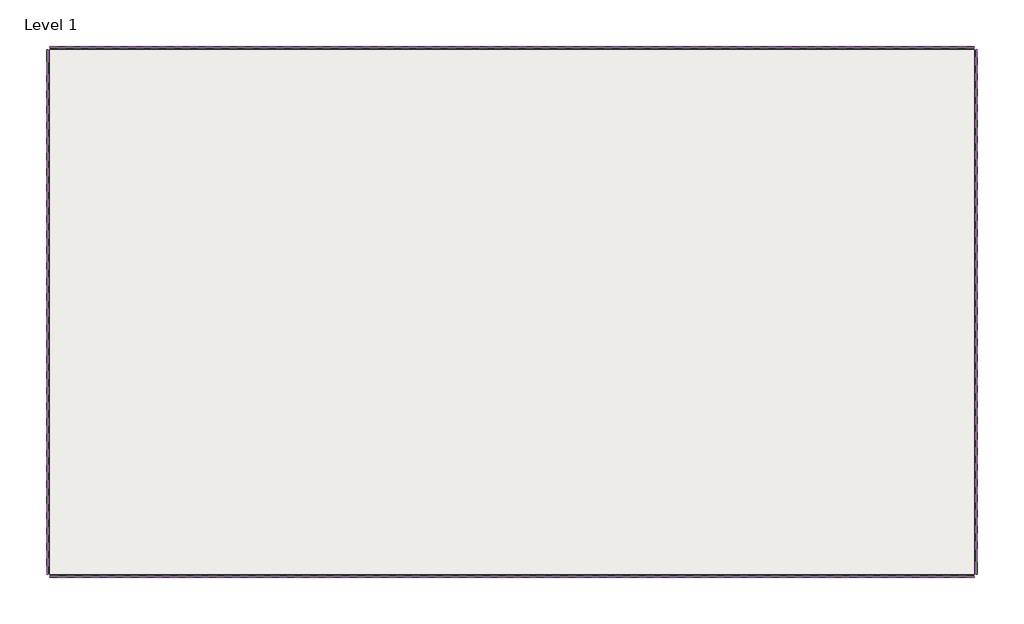
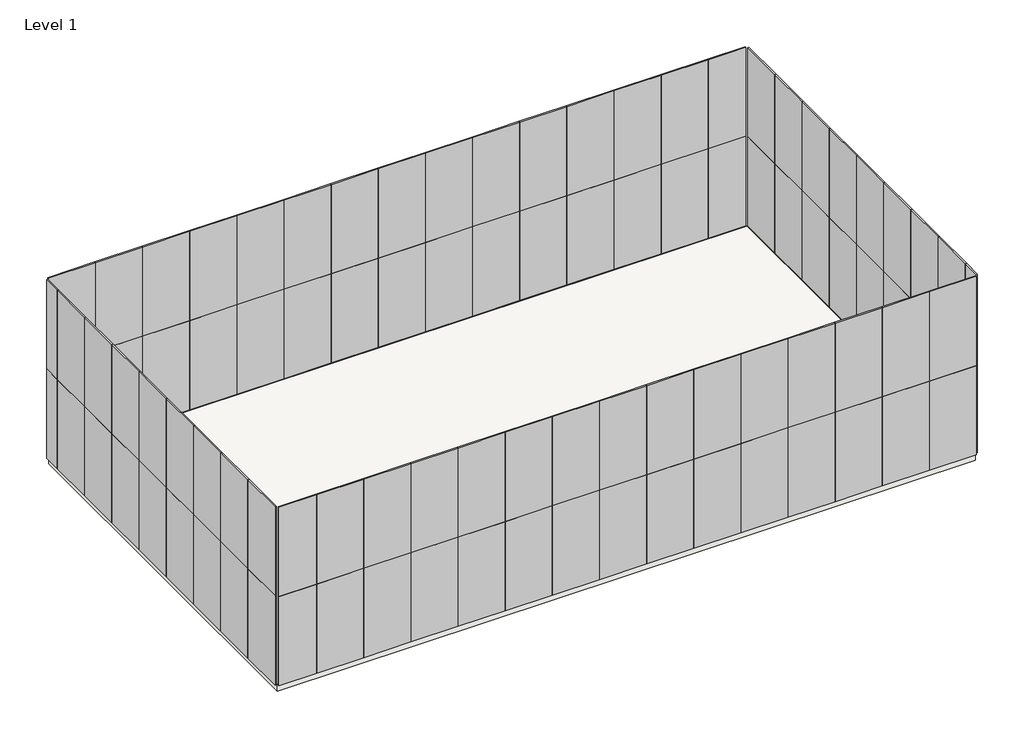
# One storey: 96 plates, 1 slab.
"""IFC4 building model written with IfcOpenShell, lengths in millimetres."""

import ifcopenshell
import ifcopenshell.guid

model = None  # the IFC model being written
_history = None  # IfcOwnerHistory: only IFC2X3 demands one
_inside = {}  # id of a spatial element -> (the spatial element, [elements in it])
_under = {}  # id of a project, library or spatial element -> (it, [spatial elements below it])
_declared = {}  # id of a project -> (the project, [libraries it declares])
_typed = {}  # id of a type object -> (the type object, [elements of that type])
_made_of = {}  # id of a material, layer set ... -> (it, [elements and type objects made of it])


def new_model(schema):
    """Start an empty IFC model of exactly this schema.

    Asked for "IFC4X3", IfcOpenShell would pick the latest addendum, in which some entities
    have other attributes; the version numbers below select the first issue.
    IFC2X3 requires an IfcOwnerHistory on every rooted entity: one is made here for all.
    """
    global model, _history
    if schema == "IFC4X3":
        model = ifcopenshell.file(schema_version=(4, 3, 0, 0))
    else:
        model = ifcopenshell.file(schema=schema)
    _inside.clear()
    _under.clear()
    _declared.clear()
    _typed.clear()
    _made_of.clear()
    _history = None
    if model.schema == "IFC2X3":
        org = make("IfcOrganization", Name="unknown")
        user = make(
            "IfcPersonAndOrganization",
            ThePerson=make("IfcPerson", FamilyName="unknown"),
            TheOrganization=org,
        )
        app = make(
            "IfcApplication",
            ApplicationDeveloper=org,
            Version="unknown",
            ApplicationFullName="unknown",
            ApplicationIdentifier="unknown",
        )
        _history = make(
            "IfcOwnerHistory",
            OwningUser=user,
            OwningApplication=app,
            ChangeAction="ADDED",
            CreationDate=0,
        )
    return model


def make(cls, **values):
    """One entity of the class cls with the attributes given. An attribute that is None is left unset."""
    return model.create_entity(
        cls, **{name: value for name, value in values.items() if value is not None}
    )


def rooted(cls, **values):
    """An entity with a GlobalId (a new one), such as an element, a storey or a relation."""
    return make(cls, GlobalId=ifcopenshell.guid.new(), OwnerHistory=_history, **values)


def si_unit(unit_type, name, prefix=None):
    """IfcSIUnit, for example si_unit("LENGTHUNIT", "METRE", prefix="MILLI")."""
    return make("IfcSIUnit", UnitType=unit_type, Prefix=prefix, Name=name)


def assignment(units):
    """IfcUnitAssignment: the units of a project."""
    return None if units is None else make("IfcUnitAssignment", Units=units)


def point(xyz):
    """IfcCartesianPoint."""
    return None if xyz is None else make("IfcCartesianPoint", Coordinates=xyz)


def direction(xyz):
    """IfcDirection."""
    return None if xyz is None else make("IfcDirection", DirectionRatios=xyz)


def frame(location, z_axis=None, x_axis=None):
    """IfcAxis2Placement3D, a coordinate frame: its origin and axes. An axis left out is left unset."""
    return make(
        "IfcAxis2Placement3D",
        Location=point(location),
        Axis=direction(z_axis),
        RefDirection=direction(x_axis),
    )


def origin():
    """The frame at (0, 0, 0) with its axes left unset."""
    return frame((0.0, 0.0, 0.0))


def origin_with_axes():
    """The frame at (0, 0, 0) with the z axis (0, 0, 1) and the x axis (1, 0, 0) written out."""
    return frame((0.0, 0.0, 0.0), z_axis=(0.0, 0.0, 1.0), x_axis=(1.0, 0.0, 0.0))


def place(relative_to, where):
    """IfcLocalPlacement: puts the frame where relative to a parent placement (None: the world)."""
    return make(
        "IfcLocalPlacement", PlacementRelTo=relative_to, RelativePlacement=where
    )


def context(
    kind, dimensions, precision=None, world=None, true_north=None, identifier=None
):
    """IfcGeometricRepresentationContext, for example the 3D "Model" context."""
    return make(
        "IfcGeometricRepresentationContext",
        ContextIdentifier=identifier,
        ContextType=kind,
        CoordinateSpaceDimension=dimensions,
        Precision=precision,
        WorldCoordinateSystem=world,
        TrueNorth=true_north,
    )


def project(units=None, contexts=None):
    """IfcProject with its units and contexts."""
    return rooted(
        "IfcProject",
        Name="project",
        RepresentationContexts=contexts,
        UnitsInContext=assignment(units),
    )


def spatial(cls, under=None, at=None, **own):
    """A site, building, storey or space (cls), placed at a placement, below another one or the project."""
    s = rooted(cls, ObjectPlacement=at, **own)
    if under is not None:
        _under.setdefault(under.id(), (under, []))[1].append(s)
    return s


def polyline(points):
    """IfcPolyline through the points."""
    return make("IfcPolyline", Points=[point(p) for p in points])


def outline(outer, holes=None, kind="AREA"):
    """IfcArbitraryClosedProfileDef: a profile drawn as a closed curve; with holes, ...WithVoids."""
    if holes is None:
        return make("IfcArbitraryClosedProfileDef", ProfileType=kind, OuterCurve=outer)
    return make(
        "IfcArbitraryProfileDefWithVoids",
        ProfileType=kind,
        OuterCurve=outer,
        InnerCurves=holes,
    )


def extrude(swept, where, along, depth):
    """IfcExtrudedAreaSolid: the profile swept, set in the frame where, extruded along a direction by depth."""
    return make(
        "IfcExtrudedAreaSolid",
        SweptArea=swept,
        Position=where,
        ExtrudedDirection=direction(along),
        Depth=depth,
    )


def shape(context_of_items, identifier, shape_type, items):
    """IfcShapeRepresentation: the items that make up one representation, for example the "Body"."""
    return make(
        "IfcShapeRepresentation",
        ContextOfItems=context_of_items,
        RepresentationIdentifier=identifier,
        RepresentationType=shape_type,
        Items=items,
    )


def source(mapping_origin, context_of_items, identifier, shape_type, items):
    """IfcRepresentationMap: a shape defined once, which mapped items show again and again."""
    return make(
        "IfcRepresentationMap",
        MappingOrigin=mapping_origin,
        MappedRepresentation=shape(context_of_items, identifier, shape_type, items),
    )


def transform(
    local_origin,
    x_axis=None,
    y_axis=None,
    z_axis=None,
    scale=None,
    scale2=None,
    scale3=None,
    uniform=True,
):
    """IfcCartesianTransformationOperator3D, or its non-uniform kind. x_axis, y_axis, z_axis: its Axis1, 2, 3."""
    if uniform:
        return make(
            "IfcCartesianTransformationOperator3D",
            Axis1=direction(x_axis),
            Axis2=direction(y_axis),
            LocalOrigin=point(local_origin),
            Scale=scale,
            Axis3=direction(z_axis),
        )
    return make(
        "IfcCartesianTransformationOperator3DnonUniform",
        Axis1=direction(x_axis),
        Axis2=direction(y_axis),
        LocalOrigin=point(local_origin),
        Scale=scale,
        Axis3=direction(z_axis),
        Scale2=scale2,
        Scale3=scale3,
    )


def mapped(mapping_source, mapping_target):
    """IfcMappedItem: shows the shape of a source again, moved by a transform."""
    return make(
        "IfcMappedItem", MappingSource=mapping_source, MappingTarget=mapping_target
    )


def made_of(thing, what):
    """Note that an element or type object is made of a material, layer set ...; save() writes the relation."""
    if what is not None:
        _made_of.setdefault(what.id(), (what, []))[1].append(thing)
    return thing


def element(
    cls,
    number,
    at=None,
    inside=None,
    cuts=None,
    type_object=None,
    material=None,
    context=None,
    identifier="Body",
    shape_type=None,
    held_by="IfcProductDefinitionShape",
    body=None,
    shapes=None,
    **own,
):
    """One element of the class cls, such as IfcWall. Its Tag is "e" and its number.

    at: its placement. inside: the storey or other place that contains it. cuts: it is an
    opening in that element (IfcRelVoidsElement). A single representation is given by context,
    identifier, shape_type and body (its items); several are given by shapes. held_by: the class
    of the entity that holds the representations. save() writes the other relations.
    """
    e = rooted(cls, Tag="e%d" % number, ObjectPlacement=at, **own)
    if body is not None:
        shapes = [shape(context, identifier, shape_type, body)]
    if shapes is not None:
        e.Representation = make(held_by, Representations=shapes)
    if inside is not None:
        _inside.setdefault(inside.id(), (inside, []))[1].append(e)
    if cuts is not None:
        rooted(
            "IfcRelVoidsElement", RelatingBuildingElement=cuts, RelatedOpeningElement=e
        )
    if type_object is not None:
        _typed.setdefault(type_object.id(), (type_object, []))[1].append(e)
    return made_of(e, material)


def aggregate(whole, parts):
    """IfcRelAggregates: a whole, such as a stair, and the parts it consists of."""
    return rooted("IfcRelAggregates", RelatingObject=whole, RelatedObjects=parts)


def save(model, path):
    """Write the relations noted so far, then the file.

    IfcRelAggregates (storeys below a building ...), IfcRelContainedInSpatialStructure (elements
    in a storey), IfcRelDefinesByType, IfcRelAssociatesMaterial and IfcRelDeclares: one each for
    every whole, place, type object, material and project.
    """
    for whole, parts in _under.values():
        aggregate(whole, parts)
    for where, things in _inside.values():
        rooted(
            "IfcRelContainedInSpatialStructure",
            RelatedElements=things,
            RelatingStructure=where,
        )
    for kind, things in _typed.values():
        rooted("IfcRelDefinesByType", RelatedObjects=things, RelatingType=kind)
    for what, things in _made_of.values():
        rooted("IfcRelAssociatesMaterial", RelatedObjects=things, RelatingMaterial=what)
    for by, libraries in _declared.values():
        rooted("IfcRelDeclares", RelatingContext=by, RelatedDefinitions=libraries)
    model.write(path)


def system_panel_glazed_be29b8e7(model_context):
    return source(origin(), model_context, "Body", "SweptSolid", [
        extrude(outline(polyline([(500.0000002, 24.5), (-500.0000002, 24.5), (-500.0000002, 49.5), (500.0000002, 49.5), (500.0000002, 24.5)])), origin_with_axes(), (0.0, 0.0, 1.0), 2000.0),
    ])


def system_panel_glazed_e4c506ac(model_context):
    return source(origin(), model_context, "Body", "SweptSolid", [
        extrude(outline(polyline([(399.9999998, 24.5), (-399.9999998, 24.5), (-399.9999998, 49.5), (399.9999998, 49.5), (399.9999998, 24.5)])), origin_with_axes(), (0.0, 0.0, 1.0), 2000.0),
    ])


def system_panel_glazed_51f148e5(model_context):
    return source(origin(), model_context, "Body", "SweptSolid", [
        extrude(outline(polyline([(199.9999998, 24.5), (-199.9999998, 24.5), (-199.9999998, 49.5), (199.9999998, 49.5), (199.9999998, 24.5)])), origin_with_axes(), (0.0, 0.0, 1.0), 2000.0),
    ])


model = new_model("IFC4")

# Units and contexts
model_context = context("Model", 3, world=origin())
ifc_project = project(units=[si_unit("LENGTHUNIT", "METRE", prefix="MILLI")], contexts=[model_context])

# Site, building, storey
site = spatial("IfcSite", under=ifc_project)
building = spatial("IfcBuilding", under=site)
storey = spatial("IfcBuildingStorey", under=building, Name="Level 1", Elevation=0.0)

# Plates
placement = place(None, origin())
system_panel_glazed_shape = system_panel_glazed_be29b8e7(model_context)
element("IfcPlate", 1, ObjectType="System Panel : Glazed", at=placement, inside=storey, context=model_context, shape_type="MappedRepresentation", body=[
    mapped(system_panel_glazed_shape, transform((6251.5480438, -5646.8315212, 0.0), x_axis=(-1.0, 0.0, 0.0), y_axis=(0.0, -1.0, 0.0), z_axis=(0.0, 0.0, 1.0))),
])
element("IfcPlate", 2, ObjectType="System Panel : Glazed", at=placement, inside=storey, context=model_context, shape_type="MappedRepresentation", body=[
    mapped(system_panel_glazed_shape, transform((5251.5480436, -5646.8315212, 0.0), x_axis=(-1.0, 0.0, 0.0), y_axis=(0.0, -1.0, 0.0), z_axis=(0.0, 0.0, 1.0))),
])
element("IfcPlate", 3, ObjectType="System Panel : Glazed", at=placement, inside=storey, context=model_context, shape_type="MappedRepresentation", body=[
    mapped(system_panel_glazed_shape, transform((4251.5480436, -5646.8315212, 0.0), x_axis=(-1.0, 0.0, 0.0), y_axis=(0.0, -1.0, 0.0), z_axis=(0.0, 0.0, 1.0))),
])
element("IfcPlate", 4, ObjectType="System Panel : Glazed", at=placement, inside=storey, context=model_context, shape_type="MappedRepresentation", body=[
    mapped(system_panel_glazed_shape, transform((3251.5480436, -5646.8315212, 0.0), x_axis=(-1.0, 0.0, 0.0), y_axis=(0.0, -1.0, 0.0), z_axis=(0.0, 0.0, 1.0))),
])
element("IfcPlate", 5, ObjectType="System Panel : Glazed", at=placement, inside=storey, context=model_context, shape_type="MappedRepresentation", body=[
    mapped(system_panel_glazed_shape, transform((2251.5480436, -5646.8315212, 0.0), x_axis=(-1.0, 0.0, 0.0), y_axis=(0.0, -1.0, 0.0), z_axis=(0.0, 0.0, 1.0))),
])
element("IfcPlate", 6, ObjectType="System Panel : Glazed", at=placement, inside=storey, context=model_context, shape_type="MappedRepresentation", body=[
    mapped(system_panel_glazed_shape, transform((1251.5480436, -5646.8315212, 0.0), x_axis=(-1.0, 0.0, 0.0), y_axis=(0.0, -1.0, 0.0), z_axis=(0.0, 0.0, 1.0))),
])
element("IfcPlate", 7, ObjectType="System Panel : Glazed", at=placement, inside=storey, context=model_context, shape_type="MappedRepresentation", body=[
    mapped(system_panel_glazed_shape, transform((251.5480436, -5646.8315212, 0.0), x_axis=(-1.0, 0.0, 0.0), y_axis=(0.0, -1.0, 0.0), z_axis=(0.0, 0.0, 1.0))),
])
element("IfcPlate", 8, ObjectType="System Panel : Glazed", at=placement, inside=storey, context=model_context, shape_type="MappedRepresentation", body=[
    mapped(system_panel_glazed_shape, transform((-748.4519564, -5646.8315212, 0.0), x_axis=(-1.0, 0.0, 0.0), y_axis=(0.0, -1.0, 0.0), z_axis=(0.0, 0.0, 1.0))),
])
element("IfcPlate", 9, ObjectType="System Panel : Glazed", at=placement, inside=storey, context=model_context, shape_type="MappedRepresentation", body=[
    mapped(system_panel_glazed_shape, transform((-1748.4519564, -5646.8315212, 0.0), x_axis=(-1.0, 0.0, 0.0), y_axis=(0.0, -1.0, 0.0), z_axis=(0.0, 0.0, 1.0))),
])
element("IfcPlate", 10, ObjectType="System Panel : Glazed", at=placement, inside=storey, context=model_context, shape_type="MappedRepresentation", body=[
    mapped(system_panel_glazed_shape, transform((-2748.4519564, -5646.8315212, 0.0), x_axis=(-1.0, 0.0, 0.0), y_axis=(0.0, -1.0, 0.0), z_axis=(0.0, 0.0, 1.0))),
])
element("IfcPlate", 11, ObjectType="System Panel : Glazed", at=placement, inside=storey, context=model_context, shape_type="MappedRepresentation", body=[
    mapped(system_panel_glazed_shape, transform((-3748.4519564, -5646.8315212, 0.0), x_axis=(-1.0, 0.0, 0.0), y_axis=(0.0, -1.0, 0.0), z_axis=(0.0, 0.0, 1.0))),
])
element("IfcPlate", 12, ObjectType="System Panel : Glazed", at=placement, inside=storey, context=model_context, shape_type="MappedRepresentation", body=[
    mapped(system_panel_glazed_shape, transform((-4748.4519564, -5646.8315212, 0.0), x_axis=(-1.0, 0.0, 0.0), y_axis=(0.0, -1.0, 0.0), z_axis=(0.0, 0.0, 1.0))),
])
element("IfcPlate", 13, ObjectType="System Panel : Glazed", at=placement, inside=storey, context=model_context, shape_type="MappedRepresentation", body=[
    mapped(system_panel_glazed_shape, transform((-5748.4519564, -5646.8315212, 0.0), x_axis=(-1.0, 0.0, 0.0), y_axis=(0.0, -1.0, 0.0), z_axis=(0.0, 0.0, 1.0))),
])
element("IfcPlate", 14, ObjectType="System Panel : Glazed", at=placement, inside=storey, context=model_context, shape_type="MappedRepresentation", body=[
    mapped(system_panel_glazed_shape, transform((6251.5480438, -5646.8315212, 2000.0), x_axis=(-1.0, 0.0, 0.0), y_axis=(0.0, -1.0, 0.0), z_axis=(0.0, 0.0, 1.0))),
])
element("IfcPlate", 15, ObjectType="System Panel : Glazed", at=placement, inside=storey, context=model_context, shape_type="MappedRepresentation", body=[
    mapped(system_panel_glazed_shape, transform((5251.5480436, -5646.8315212, 2000.0), x_axis=(-1.0, 0.0, 0.0), y_axis=(0.0, -1.0, 0.0), z_axis=(0.0, 0.0, 1.0))),
])
element("IfcPlate", 16, ObjectType="System Panel : Glazed", at=placement, inside=storey, context=model_context, shape_type="MappedRepresentation", body=[
    mapped(system_panel_glazed_shape, transform((4251.5480436, -5646.8315212, 2000.0), x_axis=(-1.0, 0.0, 0.0), y_axis=(0.0, -1.0, 0.0), z_axis=(0.0, 0.0, 1.0))),
])
element("IfcPlate", 17, ObjectType="System Panel : Glazed", at=placement, inside=storey, context=model_context, shape_type="MappedRepresentation", body=[
    mapped(system_panel_glazed_shape, transform((3251.5480436, -5646.8315212, 2000.0), x_axis=(-1.0, 0.0, 0.0), y_axis=(0.0, -1.0, 0.0), z_axis=(0.0, 0.0, 1.0))),
])
element("IfcPlate", 18, ObjectType="System Panel : Glazed", at=placement, inside=storey, context=model_context, shape_type="MappedRepresentation", body=[
    mapped(system_panel_glazed_shape, transform((2251.5480436, -5646.8315212, 2000.0), x_axis=(-1.0, 0.0, 0.0), y_axis=(0.0, -1.0, 0.0), z_axis=(0.0, 0.0, 1.0))),
])
element("IfcPlate", 19, ObjectType="System Panel : Glazed", at=placement, inside=storey, context=model_context, shape_type="MappedRepresentation", body=[
    mapped(system_panel_glazed_shape, transform((1251.5480436, -5646.8315212, 2000.0), x_axis=(-1.0, 0.0, 0.0), y_axis=(0.0, -1.0, 0.0), z_axis=(0.0, 0.0, 1.0))),
])
element("IfcPlate", 20, ObjectType="System Panel : Glazed", at=placement, inside=storey, context=model_context, shape_type="MappedRepresentation", body=[
    mapped(system_panel_glazed_shape, transform((251.5480436, -5646.8315212, 2000.0), x_axis=(-1.0, 0.0, 0.0), y_axis=(0.0, -1.0, 0.0), z_axis=(0.0, 0.0, 1.0))),
])
element("IfcPlate", 21, ObjectType="System Panel : Glazed", at=placement, inside=storey, context=model_context, shape_type="MappedRepresentation", body=[
    mapped(system_panel_glazed_shape, transform((-748.4519564, -5646.8315212, 2000.0), x_axis=(-1.0, 0.0, 0.0), y_axis=(0.0, -1.0, 0.0), z_axis=(0.0, 0.0, 1.0))),
])
element("IfcPlate", 22, ObjectType="System Panel : Glazed", at=placement, inside=storey, context=model_context, shape_type="MappedRepresentation", body=[
    mapped(system_panel_glazed_shape, transform((-1748.4519564, -5646.8315212, 2000.0), x_axis=(-1.0, 0.0, 0.0), y_axis=(0.0, -1.0, 0.0), z_axis=(0.0, 0.0, 1.0))),
])
element("IfcPlate", 23, ObjectType="System Panel : Glazed", at=placement, inside=storey, context=model_context, shape_type="MappedRepresentation", body=[
    mapped(system_panel_glazed_shape, transform((-2748.4519564, -5646.8315212, 2000.0), x_axis=(-1.0, 0.0, 0.0), y_axis=(0.0, -1.0, 0.0), z_axis=(0.0, 0.0, 1.0))),
])
element("IfcPlate", 24, ObjectType="System Panel : Glazed", at=placement, inside=storey, context=model_context, shape_type="MappedRepresentation", body=[
    mapped(system_panel_glazed_shape, transform((-3748.4519564, -5646.8315212, 2000.0), x_axis=(-1.0, 0.0, 0.0), y_axis=(0.0, -1.0, 0.0), z_axis=(0.0, 0.0, 1.0))),
])
element("IfcPlate", 25, ObjectType="System Panel : Glazed", at=placement, inside=storey, context=model_context, shape_type="MappedRepresentation", body=[
    mapped(system_panel_glazed_shape, transform((-4748.4519564, -5646.8315212, 2000.0), x_axis=(-1.0, 0.0, 0.0), y_axis=(0.0, -1.0, 0.0), z_axis=(0.0, 0.0, 1.0))),
])
element("IfcPlate", 26, ObjectType="System Panel : Glazed", at=placement, inside=storey, context=model_context, shape_type="MappedRepresentation", body=[
    mapped(system_panel_glazed_shape, transform((-5748.4519564, -5646.8315212, 2000.0), x_axis=(-1.0, 0.0, 0.0), y_axis=(0.0, -1.0, 0.0), z_axis=(0.0, 0.0, 1.0))),
])
element("IfcPlate", 27, ObjectType="System Panel : Glazed", at=placement, inside=storey, context=model_context, shape_type="MappedRepresentation", body=[
    mapped(system_panel_glazed_shape, transform((-6748.4519564, -5646.8315212, 0.0), x_axis=(-1.0, 0.0, 0.0), y_axis=(0.0, -1.0, 0.0), z_axis=(0.0, 0.0, 1.0))),
])
element("IfcPlate", 28, ObjectType="System Panel : Glazed", at=placement, inside=storey, context=model_context, shape_type="MappedRepresentation", body=[
    mapped(system_panel_glazed_shape, transform((-6748.4519564, -5646.8315212, 2000.0), x_axis=(-1.0, 0.0, 0.0), y_axis=(0.0, -1.0, 0.0), z_axis=(0.0, 0.0, 1.0))),
])
element("IfcPlate", 29, ObjectType="System Panel : Glazed", at=placement, inside=storey, context=model_context, shape_type="MappedRepresentation", body=[
    mapped(system_panel_glazed_shape, transform((6751.5480439, 2253.1684787, 0.0), x_axis=(0.0, -1.0, 0.0), y_axis=(1.0, 0.0, 0.0), z_axis=(0.0, 0.0, 1.0))),
])
element("IfcPlate", 30, ObjectType="System Panel : Glazed", at=placement, inside=storey, context=model_context, shape_type="MappedRepresentation", body=[
    mapped(system_panel_glazed_shape, transform((6751.5480439, 1253.1684785, 0.0), x_axis=(0.0, -1.0, 0.0), y_axis=(1.0, 0.0, 0.0), z_axis=(0.0, 0.0, 1.0))),
])
element("IfcPlate", 31, ObjectType="System Panel : Glazed", at=placement, inside=storey, context=model_context, shape_type="MappedRepresentation", body=[
    mapped(system_panel_glazed_shape, transform((6751.5480439, 253.1684785, 0.0), x_axis=(0.0, -1.0, 0.0), y_axis=(1.0, 0.0, 0.0), z_axis=(0.0, 0.0, 1.0))),
])
element("IfcPlate", 32, ObjectType="System Panel : Glazed", at=placement, inside=storey, context=model_context, shape_type="MappedRepresentation", body=[
    mapped(system_panel_glazed_shape, transform((6751.5480439, -746.8315215, 0.0), x_axis=(0.0, -1.0, 0.0), y_axis=(1.0, 0.0, 0.0), z_axis=(0.0, 0.0, 1.0))),
])
element("IfcPlate", 33, ObjectType="System Panel : Glazed", at=placement, inside=storey, context=model_context, shape_type="MappedRepresentation", body=[
    mapped(system_panel_glazed_shape, transform((6751.5480439, -1746.8315215, 0.0), x_axis=(0.0, -1.0, 0.0), y_axis=(1.0, 0.0, 0.0), z_axis=(0.0, 0.0, 1.0))),
])
element("IfcPlate", 34, ObjectType="System Panel : Glazed", at=placement, inside=storey, context=model_context, shape_type="MappedRepresentation", body=[
    mapped(system_panel_glazed_shape, transform((6751.5480439, -2746.8315215, 0.0), x_axis=(0.0, -1.0, 0.0), y_axis=(1.0, 0.0, 0.0), z_axis=(0.0, 0.0, 1.0))),
])
element("IfcPlate", 35, ObjectType="System Panel : Glazed", at=placement, inside=storey, context=model_context, shape_type="MappedRepresentation", body=[
    mapped(system_panel_glazed_shape, transform((6751.5480439, -3746.8315215, 0.0), x_axis=(0.0, -1.0, 0.0), y_axis=(1.0, 0.0, 0.0), z_axis=(0.0, 0.0, 1.0))),
])
element("IfcPlate", 36, ObjectType="System Panel : Glazed", at=placement, inside=storey, context=model_context, shape_type="MappedRepresentation", body=[
    mapped(system_panel_glazed_shape, transform((6751.5480439, -4746.8315215, 0.0), x_axis=(0.0, -1.0, 0.0), y_axis=(1.0, 0.0, 0.0), z_axis=(0.0, 0.0, 1.0))),
])
element("IfcPlate", 37, ObjectType="System Panel : Glazed", at=placement, inside=storey, context=model_context, shape_type="MappedRepresentation", body=[
    mapped(system_panel_glazed_shape, transform((6751.5480439, 2253.1684787, 2000.0), x_axis=(0.0, -1.0, 0.0), y_axis=(1.0, 0.0, 0.0), z_axis=(0.0, 0.0, 1.0))),
])
element("IfcPlate", 38, ObjectType="System Panel : Glazed", at=placement, inside=storey, context=model_context, shape_type="MappedRepresentation", body=[
    mapped(system_panel_glazed_shape, transform((6751.5480439, 1253.1684785, 2000.0), x_axis=(0.0, -1.0, 0.0), y_axis=(1.0, 0.0, 0.0), z_axis=(0.0, 0.0, 1.0))),
])
element("IfcPlate", 39, ObjectType="System Panel : Glazed", at=placement, inside=storey, context=model_context, shape_type="MappedRepresentation", body=[
    mapped(system_panel_glazed_shape, transform((6751.5480439, 253.1684785, 2000.0), x_axis=(0.0, -1.0, 0.0), y_axis=(1.0, 0.0, 0.0), z_axis=(0.0, 0.0, 1.0))),
])
element("IfcPlate", 40, ObjectType="System Panel : Glazed", at=placement, inside=storey, context=model_context, shape_type="MappedRepresentation", body=[
    mapped(system_panel_glazed_shape, transform((6751.5480439, -746.8315215, 2000.0), x_axis=(0.0, -1.0, 0.0), y_axis=(1.0, 0.0, 0.0), z_axis=(0.0, 0.0, 1.0))),
])
element("IfcPlate", 41, ObjectType="System Panel : Glazed", at=placement, inside=storey, context=model_context, shape_type="MappedRepresentation", body=[
    mapped(system_panel_glazed_shape, transform((6751.5480439, -1746.8315215, 2000.0), x_axis=(0.0, -1.0, 0.0), y_axis=(1.0, 0.0, 0.0), z_axis=(0.0, 0.0, 1.0))),
])
element("IfcPlate", 42, ObjectType="System Panel : Glazed", at=placement, inside=storey, context=model_context, shape_type="MappedRepresentation", body=[
    mapped(system_panel_glazed_shape, transform((6751.5480439, -2746.8315215, 2000.0), x_axis=(0.0, -1.0, 0.0), y_axis=(1.0, 0.0, 0.0), z_axis=(0.0, 0.0, 1.0))),
])
element("IfcPlate", 43, ObjectType="System Panel : Glazed", at=placement, inside=storey, context=model_context, shape_type="MappedRepresentation", body=[
    mapped(system_panel_glazed_shape, transform((6751.5480439, -3746.8315215, 2000.0), x_axis=(0.0, -1.0, 0.0), y_axis=(1.0, 0.0, 0.0), z_axis=(0.0, 0.0, 1.0))),
])
element("IfcPlate", 44, ObjectType="System Panel : Glazed", at=placement, inside=storey, context=model_context, shape_type="MappedRepresentation", body=[
    mapped(system_panel_glazed_shape, transform((6751.5480439, -4746.8315215, 2000.0), x_axis=(0.0, -1.0, 0.0), y_axis=(1.0, 0.0, 0.0), z_axis=(0.0, 0.0, 1.0))),
])
element("IfcPlate", 45, ObjectType="System Panel : Glazed", at=placement, inside=storey, context=model_context, shape_type="MappedRepresentation", body=[
    mapped(system_panel_glazed_shape, transform((-7548.4519559, 2753.1684788, 0.0), x_axis=(1.0, 0.0, 0.0), y_axis=(0.0, 1.0, 0.0), z_axis=(0.0, 0.0, 1.0))),
])
element("IfcPlate", 46, ObjectType="System Panel : Glazed", at=placement, inside=storey, context=model_context, shape_type="MappedRepresentation", body=[
    mapped(system_panel_glazed_shape, transform((-8048.4519561, -5146.831521, 0.0), x_axis=(0.0, 1.0, 0.0), y_axis=(-1.0, 0.0, 0.0), z_axis=(0.0, 0.0, 1.0))),
])
element("IfcPlate", 47, ObjectType="System Panel : Glazed", at=placement, inside=storey, context=model_context, shape_type="MappedRepresentation", body=[
    mapped(system_panel_glazed_shape, transform((-6548.4519558, 2753.1684788, 0.0), x_axis=(1.0, 0.0, 0.0), y_axis=(0.0, 1.0, 0.0), z_axis=(0.0, 0.0, 1.0))),
])
element("IfcPlate", 48, ObjectType="System Panel : Glazed", at=placement, inside=storey, context=model_context, shape_type="MappedRepresentation", body=[
    mapped(system_panel_glazed_shape, transform((-5548.4519558, 2753.1684788, 0.0), x_axis=(1.0, 0.0, 0.0), y_axis=(0.0, 1.0, 0.0), z_axis=(0.0, 0.0, 1.0))),
])
element("IfcPlate", 49, ObjectType="System Panel : Glazed", at=placement, inside=storey, context=model_context, shape_type="MappedRepresentation", body=[
    mapped(system_panel_glazed_shape, transform((-4548.4519558, 2753.1684788, 0.0), x_axis=(1.0, 0.0, 0.0), y_axis=(0.0, 1.0, 0.0), z_axis=(0.0, 0.0, 1.0))),
])
element("IfcPlate", 50, ObjectType="System Panel : Glazed", at=placement, inside=storey, context=model_context, shape_type="MappedRepresentation", body=[
    mapped(system_panel_glazed_shape, transform((-3548.4519558, 2753.1684788, 0.0), x_axis=(1.0, 0.0, 0.0), y_axis=(0.0, 1.0, 0.0), z_axis=(0.0, 0.0, 1.0))),
])
element("IfcPlate", 51, ObjectType="System Panel : Glazed", at=placement, inside=storey, context=model_context, shape_type="MappedRepresentation", body=[
    mapped(system_panel_glazed_shape, transform((-2548.4519558, 2753.1684788, 0.0), x_axis=(1.0, 0.0, 0.0), y_axis=(0.0, 1.0, 0.0), z_axis=(0.0, 0.0, 1.0))),
])
element("IfcPlate", 52, ObjectType="System Panel : Glazed", at=placement, inside=storey, context=model_context, shape_type="MappedRepresentation", body=[
    mapped(system_panel_glazed_shape, transform((-1548.4519558, 2753.1684788, 0.0), x_axis=(1.0, 0.0, 0.0), y_axis=(0.0, 1.0, 0.0), z_axis=(0.0, 0.0, 1.0))),
])
element("IfcPlate", 53, ObjectType="System Panel : Glazed", at=placement, inside=storey, context=model_context, shape_type="MappedRepresentation", body=[
    mapped(system_panel_glazed_shape, transform((-548.4519558, 2753.1684788, 0.0), x_axis=(1.0, 0.0, 0.0), y_axis=(0.0, 1.0, 0.0), z_axis=(0.0, 0.0, 1.0))),
])
element("IfcPlate", 54, ObjectType="System Panel : Glazed", at=placement, inside=storey, context=model_context, shape_type="MappedRepresentation", body=[
    mapped(system_panel_glazed_shape, transform((451.5480442, 2753.1684788, 0.0), x_axis=(1.0, 0.0, 0.0), y_axis=(0.0, 1.0, 0.0), z_axis=(0.0, 0.0, 1.0))),
])
element("IfcPlate", 55, ObjectType="System Panel : Glazed", at=placement, inside=storey, context=model_context, shape_type="MappedRepresentation", body=[
    mapped(system_panel_glazed_shape, transform((1451.5480442, 2753.1684788, 0.0), x_axis=(1.0, 0.0, 0.0), y_axis=(0.0, 1.0, 0.0), z_axis=(0.0, 0.0, 1.0))),
])
element("IfcPlate", 56, ObjectType="System Panel : Glazed", at=placement, inside=storey, context=model_context, shape_type="MappedRepresentation", body=[
    mapped(system_panel_glazed_shape, transform((2451.5480442, 2753.1684788, 0.0), x_axis=(1.0, 0.0, 0.0), y_axis=(0.0, 1.0, 0.0), z_axis=(0.0, 0.0, 1.0))),
])
element("IfcPlate", 57, ObjectType="System Panel : Glazed", at=placement, inside=storey, context=model_context, shape_type="MappedRepresentation", body=[
    mapped(system_panel_glazed_shape, transform((3451.5480442, 2753.1684788, 0.0), x_axis=(1.0, 0.0, 0.0), y_axis=(0.0, 1.0, 0.0), z_axis=(0.0, 0.0, 1.0))),
])
element("IfcPlate", 58, ObjectType="System Panel : Glazed", at=placement, inside=storey, context=model_context, shape_type="MappedRepresentation", body=[
    mapped(system_panel_glazed_shape, transform((4451.5480442, 2753.1684788, 0.0), x_axis=(1.0, 0.0, 0.0), y_axis=(0.0, 1.0, 0.0), z_axis=(0.0, 0.0, 1.0))),
])
element("IfcPlate", 59, ObjectType="System Panel : Glazed", at=placement, inside=storey, context=model_context, shape_type="MappedRepresentation", body=[
    mapped(system_panel_glazed_shape, transform((5451.5480442, 2753.1684788, 0.0), x_axis=(1.0, 0.0, 0.0), y_axis=(0.0, 1.0, 0.0), z_axis=(0.0, 0.0, 1.0))),
])
element("IfcPlate", 60, ObjectType="System Panel : Glazed", at=placement, inside=storey, context=model_context, shape_type="MappedRepresentation", body=[
    mapped(system_panel_glazed_shape, transform((-7548.4519559, 2753.1684788, 2000.0), x_axis=(1.0, 0.0, 0.0), y_axis=(0.0, 1.0, 0.0), z_axis=(0.0, 0.0, 1.0))),
])
element("IfcPlate", 61, ObjectType="System Panel : Glazed", at=placement, inside=storey, context=model_context, shape_type="MappedRepresentation", body=[
    mapped(system_panel_glazed_shape, transform((-6548.4519558, 2753.1684788, 2000.0), x_axis=(1.0, 0.0, 0.0), y_axis=(0.0, 1.0, 0.0), z_axis=(0.0, 0.0, 1.0))),
])
element("IfcPlate", 62, ObjectType="System Panel : Glazed", at=placement, inside=storey, context=model_context, shape_type="MappedRepresentation", body=[
    mapped(system_panel_glazed_shape, transform((-5548.4519558, 2753.1684788, 2000.0), x_axis=(1.0, 0.0, 0.0), y_axis=(0.0, 1.0, 0.0), z_axis=(0.0, 0.0, 1.0))),
])
element("IfcPlate", 63, ObjectType="System Panel : Glazed", at=placement, inside=storey, context=model_context, shape_type="MappedRepresentation", body=[
    mapped(system_panel_glazed_shape, transform((-4548.4519558, 2753.1684788, 2000.0), x_axis=(1.0, 0.0, 0.0), y_axis=(0.0, 1.0, 0.0), z_axis=(0.0, 0.0, 1.0))),
])
element("IfcPlate", 64, ObjectType="System Panel : Glazed", at=placement, inside=storey, context=model_context, shape_type="MappedRepresentation", body=[
    mapped(system_panel_glazed_shape, transform((-3548.4519558, 2753.1684788, 2000.0), x_axis=(1.0, 0.0, 0.0), y_axis=(0.0, 1.0, 0.0), z_axis=(0.0, 0.0, 1.0))),
])
element("IfcPlate", 65, ObjectType="System Panel : Glazed", at=placement, inside=storey, context=model_context, shape_type="MappedRepresentation", body=[
    mapped(system_panel_glazed_shape, transform((-2548.4519558, 2753.1684788, 2000.0), x_axis=(1.0, 0.0, 0.0), y_axis=(0.0, 1.0, 0.0), z_axis=(0.0, 0.0, 1.0))),
])
element("IfcPlate", 66, ObjectType="System Panel : Glazed", at=placement, inside=storey, context=model_context, shape_type="MappedRepresentation", body=[
    mapped(system_panel_glazed_shape, transform((-1548.4519558, 2753.1684788, 2000.0), x_axis=(1.0, 0.0, 0.0), y_axis=(0.0, 1.0, 0.0), z_axis=(0.0, 0.0, 1.0))),
])
element("IfcPlate", 67, ObjectType="System Panel : Glazed", at=placement, inside=storey, context=model_context, shape_type="MappedRepresentation", body=[
    mapped(system_panel_glazed_shape, transform((-548.4519558, 2753.1684788, 2000.0), x_axis=(1.0, 0.0, 0.0), y_axis=(0.0, 1.0, 0.0), z_axis=(0.0, 0.0, 1.0))),
])
element("IfcPlate", 68, ObjectType="System Panel : Glazed", at=placement, inside=storey, context=model_context, shape_type="MappedRepresentation", body=[
    mapped(system_panel_glazed_shape, transform((451.5480442, 2753.1684788, 2000.0), x_axis=(1.0, 0.0, 0.0), y_axis=(0.0, 1.0, 0.0), z_axis=(0.0, 0.0, 1.0))),
])
element("IfcPlate", 69, ObjectType="System Panel : Glazed", at=placement, inside=storey, context=model_context, shape_type="MappedRepresentation", body=[
    mapped(system_panel_glazed_shape, transform((1451.5480442, 2753.1684788, 2000.0), x_axis=(1.0, 0.0, 0.0), y_axis=(0.0, 1.0, 0.0), z_axis=(0.0, 0.0, 1.0))),
])
element("IfcPlate", 70, ObjectType="System Panel : Glazed", at=placement, inside=storey, context=model_context, shape_type="MappedRepresentation", body=[
    mapped(system_panel_glazed_shape, transform((2451.5480442, 2753.1684788, 2000.0), x_axis=(1.0, 0.0, 0.0), y_axis=(0.0, 1.0, 0.0), z_axis=(0.0, 0.0, 1.0))),
])
element("IfcPlate", 71, ObjectType="System Panel : Glazed", at=placement, inside=storey, context=model_context, shape_type="MappedRepresentation", body=[
    mapped(system_panel_glazed_shape, transform((3451.5480442, 2753.1684788, 2000.0), x_axis=(1.0, 0.0, 0.0), y_axis=(0.0, 1.0, 0.0), z_axis=(0.0, 0.0, 1.0))),
])
element("IfcPlate", 72, ObjectType="System Panel : Glazed", at=placement, inside=storey, context=model_context, shape_type="MappedRepresentation", body=[
    mapped(system_panel_glazed_shape, transform((4451.5480442, 2753.1684788, 2000.0), x_axis=(1.0, 0.0, 0.0), y_axis=(0.0, 1.0, 0.0), z_axis=(0.0, 0.0, 1.0))),
])
element("IfcPlate", 73, ObjectType="System Panel : Glazed", at=placement, inside=storey, context=model_context, shape_type="MappedRepresentation", body=[
    mapped(system_panel_glazed_shape, transform((5451.5480442, 2753.1684788, 2000.0), x_axis=(1.0, 0.0, 0.0), y_axis=(0.0, 1.0, 0.0), z_axis=(0.0, 0.0, 1.0))),
])
element("IfcPlate", 74, ObjectType="System Panel : Glazed", at=placement, inside=storey, context=model_context, shape_type="MappedRepresentation", body=[
    mapped(system_panel_glazed_shape, transform((-8048.4519561, -4146.8315209, 0.0), x_axis=(0.0, 1.0, 0.0), y_axis=(-1.0, 0.0, 0.0), z_axis=(0.0, 0.0, 1.0))),
])
element("IfcPlate", 75, ObjectType="System Panel : Glazed", at=placement, inside=storey, context=model_context, shape_type="MappedRepresentation", body=[
    mapped(system_panel_glazed_shape, transform((-8048.4519561, -3146.8315209, 0.0), x_axis=(0.0, 1.0, 0.0), y_axis=(-1.0, 0.0, 0.0), z_axis=(0.0, 0.0, 1.0))),
])
element("IfcPlate", 76, ObjectType="System Panel : Glazed", at=placement, inside=storey, context=model_context, shape_type="MappedRepresentation", body=[
    mapped(system_panel_glazed_shape, transform((-8048.4519561, -2146.8315209, 0.0), x_axis=(0.0, 1.0, 0.0), y_axis=(-1.0, 0.0, 0.0), z_axis=(0.0, 0.0, 1.0))),
])
element("IfcPlate", 77, ObjectType="System Panel : Glazed", at=placement, inside=storey, context=model_context, shape_type="MappedRepresentation", body=[
    mapped(system_panel_glazed_shape, transform((-8048.4519561, -1146.8315209, 0.0), x_axis=(0.0, 1.0, 0.0), y_axis=(-1.0, 0.0, 0.0), z_axis=(0.0, 0.0, 1.0))),
])
element("IfcPlate", 78, ObjectType="System Panel : Glazed", at=placement, inside=storey, context=model_context, shape_type="MappedRepresentation", body=[
    mapped(system_panel_glazed_shape, transform((-8048.4519561, -146.8315209, 0.0), x_axis=(0.0, 1.0, 0.0), y_axis=(-1.0, 0.0, 0.0), z_axis=(0.0, 0.0, 1.0))),
])
element("IfcPlate", 79, ObjectType="System Panel : Glazed", at=placement, inside=storey, context=model_context, shape_type="MappedRepresentation", body=[
    mapped(system_panel_glazed_shape, transform((-8048.4519561, 853.1684791, 0.0), x_axis=(0.0, 1.0, 0.0), y_axis=(-1.0, 0.0, 0.0), z_axis=(0.0, 0.0, 1.0))),
])
element("IfcPlate", 80, ObjectType="System Panel : Glazed", at=placement, inside=storey, context=model_context, shape_type="MappedRepresentation", body=[
    mapped(system_panel_glazed_shape, transform((-8048.4519561, 1853.1684791, 0.0), x_axis=(0.0, 1.0, 0.0), y_axis=(-1.0, 0.0, 0.0), z_axis=(0.0, 0.0, 1.0))),
])
element("IfcPlate", 81, ObjectType="System Panel : Glazed", at=placement, inside=storey, context=model_context, shape_type="MappedRepresentation", body=[
    mapped(system_panel_glazed_shape, transform((-8048.4519561, -5146.831521, 2000.0), x_axis=(0.0, 1.0, 0.0), y_axis=(-1.0, 0.0, 0.0), z_axis=(0.0, 0.0, 1.0))),
])
element("IfcPlate", 82, ObjectType="System Panel : Glazed", at=placement, inside=storey, context=model_context, shape_type="MappedRepresentation", body=[
    mapped(system_panel_glazed_shape, transform((-8048.4519561, -4146.8315209, 2000.0), x_axis=(0.0, 1.0, 0.0), y_axis=(-1.0, 0.0, 0.0), z_axis=(0.0, 0.0, 1.0))),
])
element("IfcPlate", 83, ObjectType="System Panel : Glazed", at=placement, inside=storey, context=model_context, shape_type="MappedRepresentation", body=[
    mapped(system_panel_glazed_shape, transform((-8048.4519561, -3146.8315209, 2000.0), x_axis=(0.0, 1.0, 0.0), y_axis=(-1.0, 0.0, 0.0), z_axis=(0.0, 0.0, 1.0))),
])
element("IfcPlate", 84, ObjectType="System Panel : Glazed", at=placement, inside=storey, context=model_context, shape_type="MappedRepresentation", body=[
    mapped(system_panel_glazed_shape, transform((-8048.4519561, -2146.8315209, 2000.0), x_axis=(0.0, 1.0, 0.0), y_axis=(-1.0, 0.0, 0.0), z_axis=(0.0, 0.0, 1.0))),
])
element("IfcPlate", 85, ObjectType="System Panel : Glazed", at=placement, inside=storey, context=model_context, shape_type="MappedRepresentation", body=[
    mapped(system_panel_glazed_shape, transform((-8048.4519561, -1146.8315209, 2000.0), x_axis=(0.0, 1.0, 0.0), y_axis=(-1.0, 0.0, 0.0), z_axis=(0.0, 0.0, 1.0))),
])
element("IfcPlate", 86, ObjectType="System Panel : Glazed", at=placement, inside=storey, context=model_context, shape_type="MappedRepresentation", body=[
    mapped(system_panel_glazed_shape, transform((-8048.4519561, -146.8315209, 2000.0), x_axis=(0.0, 1.0, 0.0), y_axis=(-1.0, 0.0, 0.0), z_axis=(0.0, 0.0, 1.0))),
])
element("IfcPlate", 87, ObjectType="System Panel : Glazed", at=placement, inside=storey, context=model_context, shape_type="MappedRepresentation", body=[
    mapped(system_panel_glazed_shape, transform((-8048.4519561, 853.1684791, 2000.0), x_axis=(0.0, 1.0, 0.0), y_axis=(-1.0, 0.0, 0.0), z_axis=(0.0, 0.0, 1.0))),
])
element("IfcPlate", 88, ObjectType="System Panel : Glazed", at=placement, inside=storey, context=model_context, shape_type="MappedRepresentation", body=[
    mapped(system_panel_glazed_shape, transform((-8048.4519561, 1853.1684791, 2000.0), x_axis=(0.0, 1.0, 0.0), y_axis=(-1.0, 0.0, 0.0), z_axis=(0.0, 0.0, 1.0))),
])
system_panel_glazed_2_shape = system_panel_glazed_e4c506ac(model_context)
element("IfcPlate", 89, ObjectType="System Panel : Glazed", at=placement, inside=storey, context=model_context, shape_type="MappedRepresentation", body=[
    mapped(system_panel_glazed_2_shape, transform((-7648.4519562, -5646.8315212, 0.0), x_axis=(-1.0, 0.0, 0.0), y_axis=(0.0, -1.0, 0.0), z_axis=(0.0, 0.0, 1.0))),
])
element("IfcPlate", 90, ObjectType="System Panel : Glazed", at=placement, inside=storey, context=model_context, shape_type="MappedRepresentation", body=[
    mapped(system_panel_glazed_2_shape, transform((-7648.4519562, -5646.8315212, 2000.0), x_axis=(-1.0, 0.0, 0.0), y_axis=(0.0, -1.0, 0.0), z_axis=(0.0, 0.0, 1.0))),
])
element("IfcPlate", 91, ObjectType="System Panel : Glazed", at=placement, inside=storey, context=model_context, shape_type="MappedRepresentation", body=[
    mapped(system_panel_glazed_2_shape, transform((6351.5480441, 2753.1684788, 0.0), x_axis=(1.0, 0.0, 0.0), y_axis=(0.0, 1.0, 0.0), z_axis=(0.0, 0.0, 1.0))),
])
element("IfcPlate", 92, ObjectType="System Panel : Glazed", at=placement, inside=storey, context=model_context, shape_type="MappedRepresentation", body=[
    mapped(system_panel_glazed_2_shape, transform((6351.5480441, 2753.1684788, 2000.0), x_axis=(1.0, 0.0, 0.0), y_axis=(0.0, 1.0, 0.0), z_axis=(0.0, 0.0, 1.0))),
])
system_panel_glazed_3_shape = system_panel_glazed_51f148e5(model_context)
element("IfcPlate", 93, ObjectType="System Panel : Glazed", at=placement, inside=storey, context=model_context, shape_type="MappedRepresentation", body=[
    mapped(system_panel_glazed_3_shape, transform((6751.5480439, -5446.8315213, 0.0), x_axis=(0.0, -1.0, 0.0), y_axis=(1.0, 0.0, 0.0), z_axis=(0.0, 0.0, 1.0))),
])
element("IfcPlate", 94, ObjectType="System Panel : Glazed", at=placement, inside=storey, context=model_context, shape_type="MappedRepresentation", body=[
    mapped(system_panel_glazed_3_shape, transform((6751.5480439, -5446.8315213, 2000.0), x_axis=(0.0, -1.0, 0.0), y_axis=(1.0, 0.0, 0.0), z_axis=(0.0, 0.0, 1.0))),
])
element("IfcPlate", 95, ObjectType="System Panel : Glazed", at=placement, inside=storey, context=model_context, shape_type="MappedRepresentation", body=[
    mapped(system_panel_glazed_3_shape, transform((-8048.4519561, 2553.168479, 0.0), x_axis=(0.0, 1.0, 0.0), y_axis=(-1.0, 0.0, 0.0), z_axis=(0.0, 0.0, 1.0))),
])
element("IfcPlate", 96, ObjectType="System Panel : Glazed", at=placement, inside=storey, context=model_context, shape_type="MappedRepresentation", body=[
    mapped(system_panel_glazed_3_shape, transform((-8048.4519561, 2553.168479, 2000.0), x_axis=(0.0, 1.0, 0.0), y_axis=(-1.0, 0.0, 0.0), z_axis=(0.0, 0.0, 1.0))),
])

# Slab
element("IfcSlab", 97, ObjectType="Generic 150mm", at=placement, inside=storey, context=model_context, shape_type="SweptSolid", body=[
    extrude(outline(polyline([(6751.5480439, -5646.8315212), (-8048.4519561, -5646.8315212), (-8048.4519561, 2753.1684788), (6751.5480439, 2753.1684788), (6751.5480439, -5646.8315212)])), frame((0.0, 0.0, -150.0), z_axis=(0.0, 0.0, 1.0), x_axis=(1.0, 0.0, 0.0)), (0.0, 0.0, 1.0), 150.0),
])

save(model, "model.ifc")
